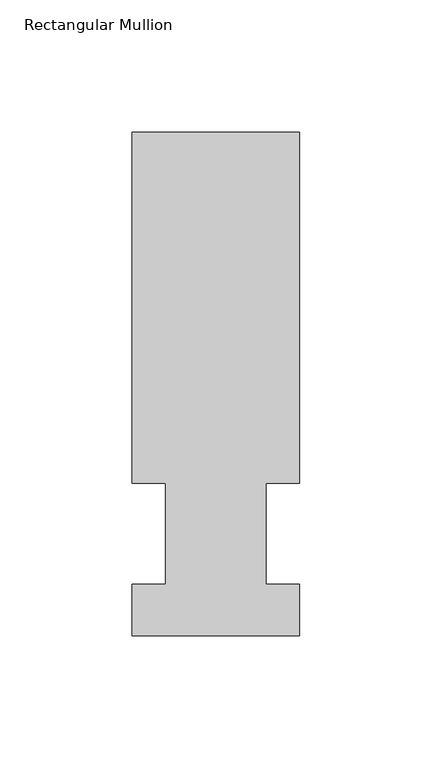
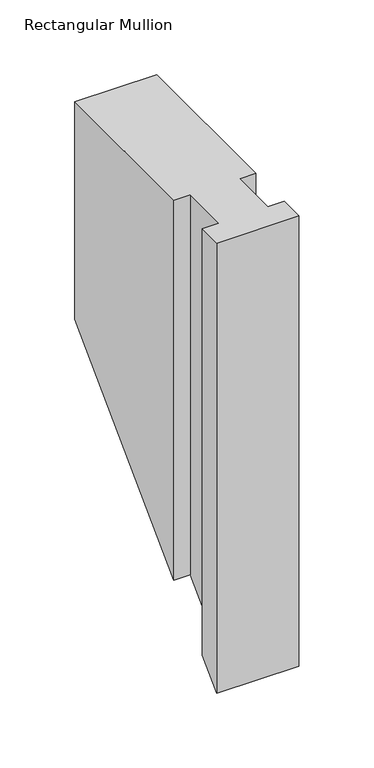
"""IFC4 building model written with IfcOpenShell, lengths in millimetres: member geometry, Rectangular Mullion."""

from ifc_helpers import new_model, si_unit, origin, place, context, project, spatial, faceted_brep, source, transform, mapped, element, save


def rectangular_mullion_56caf1bd(model_context):
    return source(origin(), model_context, "Body", "Brep", [
        faceted_brep([(-63.5, 57.6460937, 0.0), (-50.8, 57.6460937, 0.0), (-50.8, 19.5460938, 0.0), (-63.5, 19.5460938, 0.0), (-63.5, 0.0134938, 0.0), (0.0, 0.0134938, 0.0), (0.0, 19.5460938, 0.0), (-12.6873, 19.5460938, 0.0), (-12.6873, 57.6460937, 0.0), (0.0, 57.6460937, 0.0), (0.0, 190.5896938, 0.0), (-63.5, 190.5896938, 0.0), (-63.5, 57.6460937, -310.6539057), (-50.8, 57.6460937, -310.6539057), (-50.8, 19.5460938, -348.7539057), (-63.5, 19.5460938, -348.7539057), (-63.5, 0.0134938, -368.2865057), (0.0, 0.0134938, -368.2865057), (0.0, 19.5460938, -348.7539057), (-12.6873, 19.5460938, -348.7539057), (-12.6873, 57.6460937, -310.6539057), (0.0, 57.6460937, -310.6539057), (0.0, 190.5896938, -177.7103057), (-63.5, 190.5896938, -177.7103057)], [[[0, 1, 2, 3, 4, 5, 6, 7, 8, 9, 10, 11]], [[1, 0, 12, 13]], [[2, 1, 13, 14]], [[3, 2, 14, 15]], [[4, 3, 15, 16]], [[5, 4, 16, 17]], [[6, 5, 17, 18]], [[7, 6, 18, 19]], [[8, 7, 19, 20]], [[9, 8, 20, 21]], [[10, 9, 21, 22]], [[11, 10, 22, 23]], [[0, 11, 23, 12]], [[12, 23, 22, 21, 20, 19, 18, 17, 16, 15, 14, 13]]]),
    ])


if __name__ == "__main__":
    model = new_model("IFC4")
    model_context = context("Model", 3, world=origin())
    ifc_project = project(units=[si_unit("LENGTHUNIT", "METRE", prefix="MILLI")], contexts=[model_context])
    site = spatial("IfcSite", under=ifc_project)
    building = spatial("IfcBuilding", under=site)
    placement = place(None, origin())
    rectangular_mullion_shape = rectangular_mullion_56caf1bd(model_context)
    element("IfcMember", 1, ObjectType="Rectangular Mullion", at=placement, inside=building, context=model_context, shape_type="MappedRepresentation", body=[
        mapped(rectangular_mullion_shape, transform((0.0, 0.0, 0.0), x_axis=(1.0, 0.0, 0.0), y_axis=(0.0, 1.0, 0.0), z_axis=(0.0, 0.0, 1.0))),
    ])
    save(model, "model.ifc")
